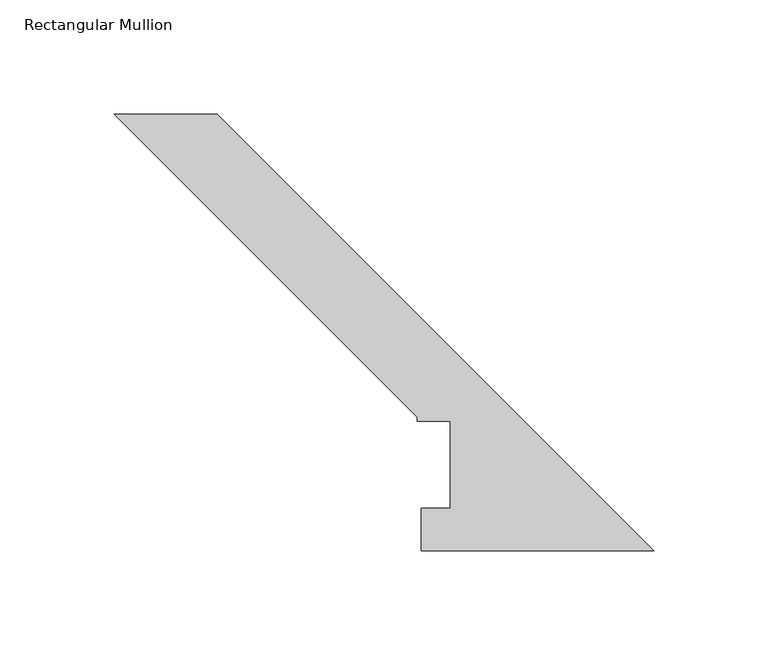
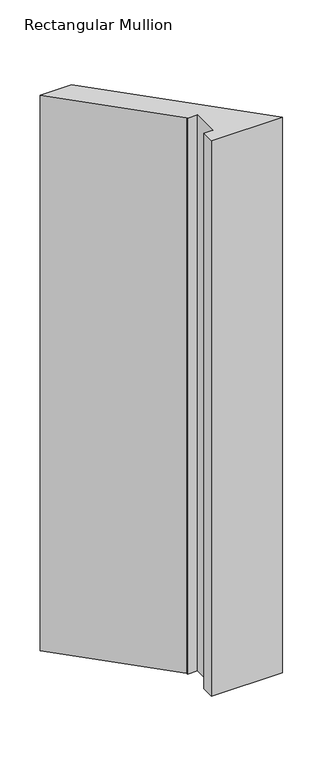
"""IFC4 building model written with IfcOpenShell, lengths in millimetres: member geometry, Rectangular Mullion."""

from ifc_helpers import new_model, si_unit, frame, origin, place, context, project, spatial, polyline, outline, extrude, source, transform, mapped, element, save


def rectangular_mullion_aa46f3cd(model_context):
    return source(origin(), model_context, "Body", "SweptSolid", [
        extrude(outline(polyline([(-235.6442703, 190.7294959), (-190.7429897, 190.7294959), (0.0, -0.0134938), (-101.5686806, -0.0134938), (-101.5686806, 18.5539062), (-88.8686806, 18.5539062), (-88.8686806, 56.6539062), (-103.2196806, 56.6539062), (-103.2196806, 58.3049062), (-235.6442703, 190.7294959)])), frame((0.0, 0.0, -838.2), z_axis=(0.0, 0.0, 1.0), x_axis=(1.0, 0.0, 0.0)), (0.0, 0.0, 1.0), 838.2),
    ])


if __name__ == "__main__":
    model = new_model("IFC4")
    model_context = context("Model", 3, world=origin())
    ifc_project = project(units=[si_unit("LENGTHUNIT", "METRE", prefix="MILLI")], contexts=[model_context])
    site = spatial("IfcSite", under=ifc_project)
    building = spatial("IfcBuilding", under=site)
    placement = place(None, origin())
    rectangular_mullion_shape = rectangular_mullion_aa46f3cd(model_context)
    element("IfcMember", 1, ObjectType="Rectangular Mullion", at=placement, inside=building, context=model_context, shape_type="MappedRepresentation", body=[
        mapped(rectangular_mullion_shape, transform((0.0, 0.0, 0.0), x_axis=(1.0, 0.0, 0.0), y_axis=(0.0, 1.0, 0.0), z_axis=(0.0, 0.0, 1.0))),
    ])
    save(model, "model.ifc")
